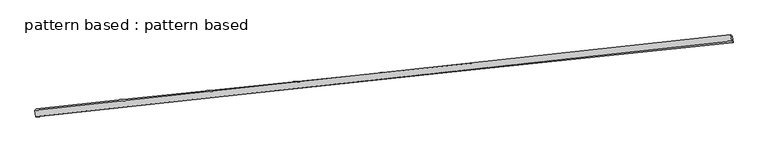
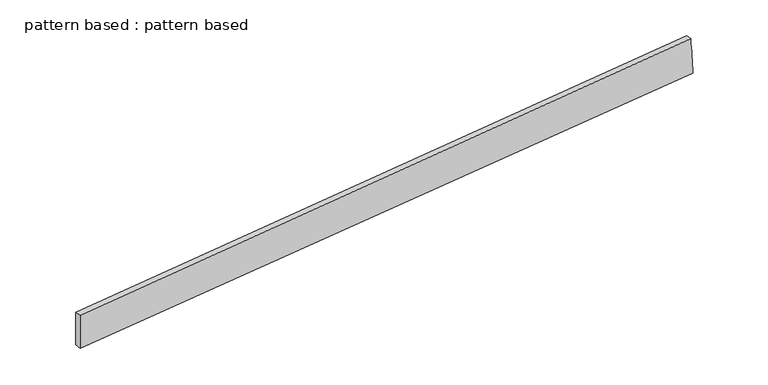
"""IFC4 building model written with IfcOpenShell, lengths in millimetres: plate geometry, pattern based : pattern based."""

from ifc_helpers import new_model, si_unit, frame, origin, place, context, project, spatial, source, transform, mapped, element, save
from ifc_brep_helpers import plane_surface, spline_surface, advanced_brep


def pattern_based_pattern_based_c63cfc65(model_context):
    return source(origin(), model_context, "Body", "AdvancedBrep", [
        advanced_brep(
        [(3486.6537643, 3486.6537643, -44.9316463), (3482.4127896, 3479.7577714, 104.8497258), (3479.7592589, 3504.616529, 104.8804811), (3484.0002337, 3511.5125219, -44.900891), (6181.029616, 3773.9670302, 194.2880051), (6178.3760854, 3798.8257878, 194.3187604), (6186.5632087, 3768.4850563, 44.4903839), (6183.9096781, 3793.3438139, 44.5211392)],
        [
            (0, 1),
            (1, 2),
            (2, 3),
            (3, 0),
            (1, 4),
            (4, 5),
            (5, 2),
            (4, 6),
            (6, 7),
            (7, 5),
            (6, 0),
            (3, 7),
        ],
        [
            plane_surface(frame((3484.533277, 3483.2057679, 29.9590398), z_axis=(-0.9938130889405463, -0.10604302731037497, -0.03302151736824171), x_axis=(-0.028273164959828352, -0.04597328630678691, 0.998542480362908))),
            plane_surface(frame((4831.7212028, 3626.8624008, 149.5688654), z_axis=(-0.032609963548458604, -0.004717457872037284, 0.9994570205209395), x_axis=(0.9935704155912791, 0.10832127506991956, 0.032929175953851496))),
            plane_surface(frame((6183.7964124, 3771.2260433, 119.3891945), z_axis=(0.9938192930020022, 0.10604392480903398, 0.0328313701830488), x_axis=(0.036890617967682345, -0.036546492551374946, -0.9986508079344626))),
            plane_surface(frame((4836.6084865, 3627.5694103, -0.2206312), z_axis=(0.0326099635484585, 0.004717457872038293, -0.9994570205209397), x_axis=(-0.9940567640163094, -0.10376507356791335, -0.032923539008875916))),
            spline_surface(1, 1, [[(3479.7592589, 3504.616529, 104.8804811), (3484.0002337, 3511.5125219, -44.900891)], [(6178.3760854, 3798.8257878, 194.3187604), (6183.9096781, 3793.3438139, 44.5211392)]], [2, 2], [2, 2], [0.0, 1.0], [0.0, 1.0]),
            spline_surface(1, 1, [[(6186.5632087, 3768.4850563, 44.4903839), (3486.6537643, 3486.6537643, -44.9316463)], [(6181.029616, 3773.9670302, 194.2880051), (3482.4127896, 3479.7577714, 104.8497258)]], [2, 2], [2, 2], [0.0, 1.0], [0.0, 1.0]),
        ],
        [
            (0, [[1, 2, 3, 4]]),
            (1, [[5, 6, 7, -2]]),
            (2, [[8, 9, 10, -6]]),
            (3, [[11, -4, 12, -9]]),
            (4, [[-3, -7, -10, -12]]),
            (5, [[-11, -8, -5, -1]]),
        ],
    ),
    ])


if __name__ == "__main__":
    model = new_model("IFC4")
    model_context = context("Model", 3, world=origin())
    ifc_project = project(units=[si_unit("LENGTHUNIT", "METRE", prefix="MILLI")], contexts=[model_context])
    site = spatial("IfcSite", under=ifc_project)
    building = spatial("IfcBuilding", under=site)
    placement = place(None, origin())
    pattern_based_pattern_based_shape = pattern_based_pattern_based_c63cfc65(model_context)
    element("IfcPlate", 1, ObjectType="pattern based : pattern based", at=placement, inside=building, context=model_context, shape_type="MappedRepresentation", body=[
        mapped(pattern_based_pattern_based_shape, transform((0.0, 0.0, 0.0), x_axis=(1.0, 0.0, 0.0), y_axis=(0.0, 1.0, 0.0), z_axis=(0.0, 0.0, 1.0))),
    ])
    save(model, "model.ifc")
